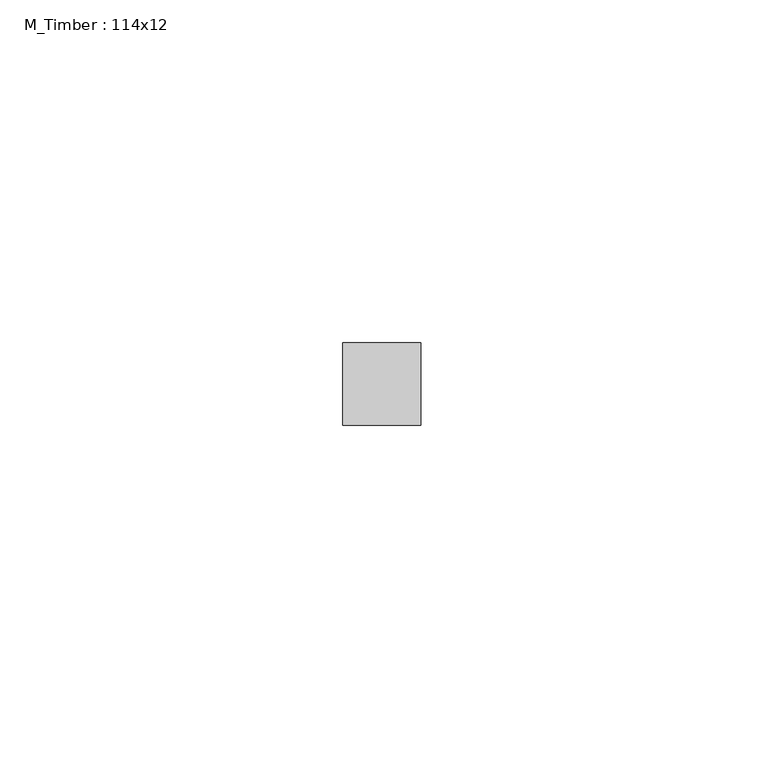
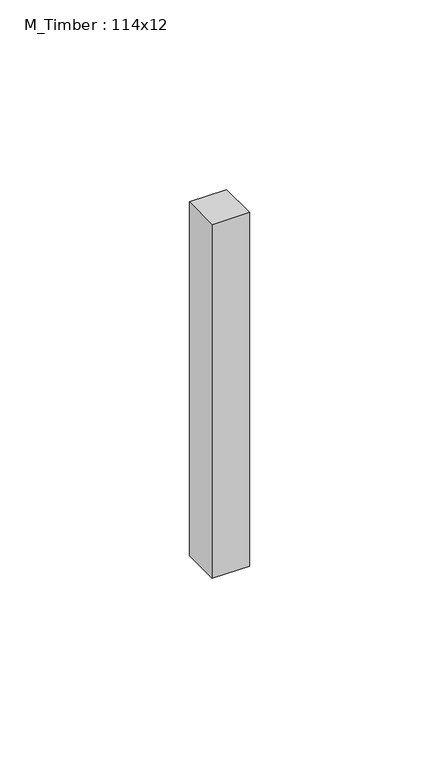
"""IFC4 building model written with IfcOpenShell, lengths in millimetres: beam geometry, M_Timber : 114x12."""

from ifc_helpers import new_model, si_unit, frame, origin, place, context, project, spatial, polyline, outline, extrude, source, transform, mapped, element, save


def m_timber_114x12_2724ece8(model_context):
    return source(origin(), model_context, "Body", "SweptSolid", [
        extrude(outline(polyline([(-0.3041113, 6.0), (-0.3041113, -6.0), (-11.6958887, -6.0), (-11.6958887, 6.0), (-0.3041113, 6.0)])), frame((0.0, 0.0, -57.0), z_axis=(0.0, 0.0, 1.0), x_axis=(1.0, 0.0, 0.0)), (0.0, 0.0, 1.0), 114.0),
    ])


if __name__ == "__main__":
    model = new_model("IFC4")
    model_context = context("Model", 3, world=origin())
    ifc_project = project(units=[si_unit("LENGTHUNIT", "METRE", prefix="MILLI")], contexts=[model_context])
    site = spatial("IfcSite", under=ifc_project)
    building = spatial("IfcBuilding", under=site)
    placement = place(None, origin())
    m_timber_114x12_shape = m_timber_114x12_2724ece8(model_context)
    element("IfcBeam", 1, ObjectType="M_Timber : 114x12", at=placement, inside=building, context=model_context, shape_type="MappedRepresentation", body=[
        mapped(m_timber_114x12_shape, transform((0.0, 0.0, 0.0), x_axis=(1.0, 0.0, 0.0), y_axis=(0.0, 1.0, 0.0), z_axis=(0.0, 0.0, 1.0))),
    ])
    save(model, "model.ifc")
